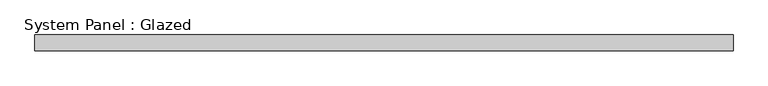
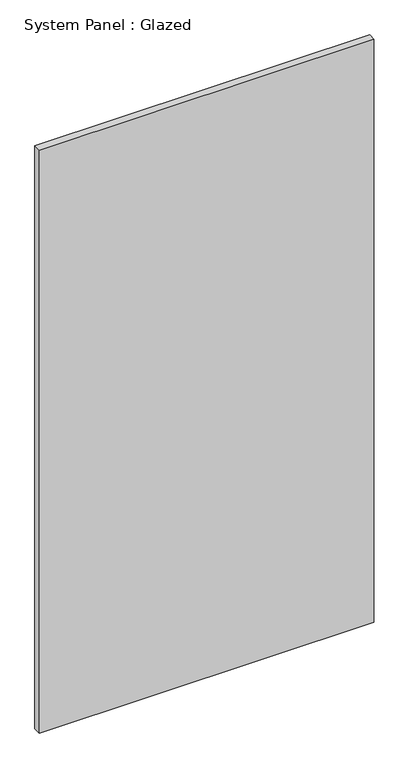
"""IFC4 building model written with IfcOpenShell, lengths in millimetres: plate geometry, System Panel : Glazed."""

import ifcopenshell
import ifcopenshell.guid

model = None  # the IFC model being written
_history = None  # IfcOwnerHistory: only IFC2X3 demands one
_inside = {}  # id of a spatial element -> (the spatial element, [elements in it])
_under = {}  # id of a project, library or spatial element -> (it, [spatial elements below it])
_declared = {}  # id of a project -> (the project, [libraries it declares])
_typed = {}  # id of a type object -> (the type object, [elements of that type])
_made_of = {}  # id of a material, layer set ... -> (it, [elements and type objects made of it])


def new_model(schema):
    """Start an empty IFC model of exactly this schema.

    Asked for "IFC4X3", IfcOpenShell would pick the latest addendum, in which some entities
    have other attributes; the version numbers below select the first issue.
    IFC2X3 requires an IfcOwnerHistory on every rooted entity: one is made here for all.
    """
    global model, _history
    if schema == "IFC4X3":
        model = ifcopenshell.file(schema_version=(4, 3, 0, 0))
    else:
        model = ifcopenshell.file(schema=schema)
    _inside.clear()
    _under.clear()
    _declared.clear()
    _typed.clear()
    _made_of.clear()
    _history = None
    if model.schema == "IFC2X3":
        org = make("IfcOrganization", Name="unknown")
        user = make(
            "IfcPersonAndOrganization",
            ThePerson=make("IfcPerson", FamilyName="unknown"),
            TheOrganization=org,
        )
        app = make(
            "IfcApplication",
            ApplicationDeveloper=org,
            Version="unknown",
            ApplicationFullName="unknown",
            ApplicationIdentifier="unknown",
        )
        _history = make(
            "IfcOwnerHistory",
            OwningUser=user,
            OwningApplication=app,
            ChangeAction="ADDED",
            CreationDate=0,
        )
    return model


def make(cls, **values):
    """One entity of the class cls with the attributes given. An attribute that is None is left unset."""
    return model.create_entity(
        cls, **{name: value for name, value in values.items() if value is not None}
    )


def rooted(cls, **values):
    """An entity with a GlobalId (a new one), such as an element, a storey or a relation."""
    return make(cls, GlobalId=ifcopenshell.guid.new(), OwnerHistory=_history, **values)


def si_unit(unit_type, name, prefix=None):
    """IfcSIUnit, for example si_unit("LENGTHUNIT", "METRE", prefix="MILLI")."""
    return make("IfcSIUnit", UnitType=unit_type, Prefix=prefix, Name=name)


def assignment(units):
    """IfcUnitAssignment: the units of a project."""
    return None if units is None else make("IfcUnitAssignment", Units=units)


def point(xyz):
    """IfcCartesianPoint."""
    return None if xyz is None else make("IfcCartesianPoint", Coordinates=xyz)


def direction(xyz):
    """IfcDirection."""
    return None if xyz is None else make("IfcDirection", DirectionRatios=xyz)


def frame(location, z_axis=None, x_axis=None):
    """IfcAxis2Placement3D, a coordinate frame: its origin and axes. An axis left out is left unset."""
    return make(
        "IfcAxis2Placement3D",
        Location=point(location),
        Axis=direction(z_axis),
        RefDirection=direction(x_axis),
    )


def origin():
    """The frame at (0, 0, 0) with its axes left unset."""
    return frame((0.0, 0.0, 0.0))


def origin_with_axes():
    """The frame at (0, 0, 0) with the z axis (0, 0, 1) and the x axis (1, 0, 0) written out."""
    return frame((0.0, 0.0, 0.0), z_axis=(0.0, 0.0, 1.0), x_axis=(1.0, 0.0, 0.0))


def place(relative_to, where):
    """IfcLocalPlacement: puts the frame where relative to a parent placement (None: the world)."""
    return make(
        "IfcLocalPlacement", PlacementRelTo=relative_to, RelativePlacement=where
    )


def context(
    kind, dimensions, precision=None, world=None, true_north=None, identifier=None
):
    """IfcGeometricRepresentationContext, for example the 3D "Model" context."""
    return make(
        "IfcGeometricRepresentationContext",
        ContextIdentifier=identifier,
        ContextType=kind,
        CoordinateSpaceDimension=dimensions,
        Precision=precision,
        WorldCoordinateSystem=world,
        TrueNorth=true_north,
    )


def project(units=None, contexts=None):
    """IfcProject with its units and contexts."""
    return rooted(
        "IfcProject",
        Name="project",
        RepresentationContexts=contexts,
        UnitsInContext=assignment(units),
    )


def spatial(cls, under=None, at=None, **own):
    """A site, building, storey or space (cls), placed at a placement, below another one or the project."""
    s = rooted(cls, ObjectPlacement=at, **own)
    if under is not None:
        _under.setdefault(under.id(), (under, []))[1].append(s)
    return s


def polyline(points):
    """IfcPolyline through the points."""
    return make("IfcPolyline", Points=[point(p) for p in points])


def outline(outer, holes=None, kind="AREA"):
    """IfcArbitraryClosedProfileDef: a profile drawn as a closed curve; with holes, ...WithVoids."""
    if holes is None:
        return make("IfcArbitraryClosedProfileDef", ProfileType=kind, OuterCurve=outer)
    return make(
        "IfcArbitraryProfileDefWithVoids",
        ProfileType=kind,
        OuterCurve=outer,
        InnerCurves=holes,
    )


def extrude(swept, where, along, depth):
    """IfcExtrudedAreaSolid: the profile swept, set in the frame where, extruded along a direction by depth."""
    return make(
        "IfcExtrudedAreaSolid",
        SweptArea=swept,
        Position=where,
        ExtrudedDirection=direction(along),
        Depth=depth,
    )


def shape(context_of_items, identifier, shape_type, items):
    """IfcShapeRepresentation: the items that make up one representation, for example the "Body"."""
    return make(
        "IfcShapeRepresentation",
        ContextOfItems=context_of_items,
        RepresentationIdentifier=identifier,
        RepresentationType=shape_type,
        Items=items,
    )


def source(mapping_origin, context_of_items, identifier, shape_type, items):
    """IfcRepresentationMap: a shape defined once, which mapped items show again and again."""
    return make(
        "IfcRepresentationMap",
        MappingOrigin=mapping_origin,
        MappedRepresentation=shape(context_of_items, identifier, shape_type, items),
    )


def transform(
    local_origin,
    x_axis=None,
    y_axis=None,
    z_axis=None,
    scale=None,
    scale2=None,
    scale3=None,
    uniform=True,
):
    """IfcCartesianTransformationOperator3D, or its non-uniform kind. x_axis, y_axis, z_axis: its Axis1, 2, 3."""
    if uniform:
        return make(
            "IfcCartesianTransformationOperator3D",
            Axis1=direction(x_axis),
            Axis2=direction(y_axis),
            LocalOrigin=point(local_origin),
            Scale=scale,
            Axis3=direction(z_axis),
        )
    return make(
        "IfcCartesianTransformationOperator3DnonUniform",
        Axis1=direction(x_axis),
        Axis2=direction(y_axis),
        LocalOrigin=point(local_origin),
        Scale=scale,
        Axis3=direction(z_axis),
        Scale2=scale2,
        Scale3=scale3,
    )


def mapped(mapping_source, mapping_target):
    """IfcMappedItem: shows the shape of a source again, moved by a transform."""
    return make(
        "IfcMappedItem", MappingSource=mapping_source, MappingTarget=mapping_target
    )


def made_of(thing, what):
    """Note that an element or type object is made of a material, layer set ...; save() writes the relation."""
    if what is not None:
        _made_of.setdefault(what.id(), (what, []))[1].append(thing)
    return thing


def element(
    cls,
    number,
    at=None,
    inside=None,
    cuts=None,
    type_object=None,
    material=None,
    context=None,
    identifier="Body",
    shape_type=None,
    held_by="IfcProductDefinitionShape",
    body=None,
    shapes=None,
    **own,
):
    """One element of the class cls, such as IfcWall. Its Tag is "e" and its number.

    at: its placement. inside: the storey or other place that contains it. cuts: it is an
    opening in that element (IfcRelVoidsElement). A single representation is given by context,
    identifier, shape_type and body (its items); several are given by shapes. held_by: the class
    of the entity that holds the representations. save() writes the other relations.
    """
    e = rooted(cls, Tag="e%d" % number, ObjectPlacement=at, **own)
    if body is not None:
        shapes = [shape(context, identifier, shape_type, body)]
    if shapes is not None:
        e.Representation = make(held_by, Representations=shapes)
    if inside is not None:
        _inside.setdefault(inside.id(), (inside, []))[1].append(e)
    if cuts is not None:
        rooted(
            "IfcRelVoidsElement", RelatingBuildingElement=cuts, RelatedOpeningElement=e
        )
    if type_object is not None:
        _typed.setdefault(type_object.id(), (type_object, []))[1].append(e)
    return made_of(e, material)


def aggregate(whole, parts):
    """IfcRelAggregates: a whole, such as a stair, and the parts it consists of."""
    return rooted("IfcRelAggregates", RelatingObject=whole, RelatedObjects=parts)


def save(model, path):
    """Write the relations noted so far, then the file.

    IfcRelAggregates (storeys below a building ...), IfcRelContainedInSpatialStructure (elements
    in a storey), IfcRelDefinesByType, IfcRelAssociatesMaterial and IfcRelDeclares: one each for
    every whole, place, type object, material and project.
    """
    for whole, parts in _under.values():
        aggregate(whole, parts)
    for where, things in _inside.values():
        rooted(
            "IfcRelContainedInSpatialStructure",
            RelatedElements=things,
            RelatingStructure=where,
        )
    for kind, things in _typed.values():
        rooted("IfcRelDefinesByType", RelatedObjects=things, RelatingType=kind)
    for what, things in _made_of.values():
        rooted("IfcRelAssociatesMaterial", RelatedObjects=things, RelatingMaterial=what)
    for by, libraries in _declared.values():
        rooted("IfcRelDeclares", RelatingContext=by, RelatedDefinitions=libraries)
    model.write(path)


def system_panel_glazed_3d49f052(model_context):
    return source(origin(), model_context, "Body", "SweptSolid", [
        extrude(outline(polyline([(561.975, 19.05), (-561.975, 19.05), (-561.975, 44.45), (561.975, 44.45), (561.975, 19.05)])), origin_with_axes(), (0.0, 0.0, 1.0), 2070.1),
    ])


if __name__ == "__main__":
    model = new_model("IFC4")
    model_context = context("Model", 3, world=origin())
    ifc_project = project(units=[si_unit("LENGTHUNIT", "METRE", prefix="MILLI")], contexts=[model_context])
    site = spatial("IfcSite", under=ifc_project)
    building = spatial("IfcBuilding", under=site)
    placement = place(None, origin())
    system_panel_glazed_shape = system_panel_glazed_3d49f052(model_context)
    element("IfcPlate", 1, ObjectType="System Panel : Glazed", at=placement, inside=building, context=model_context, shape_type="MappedRepresentation", body=[
        mapped(system_panel_glazed_shape, transform((0.0, 0.0, 0.0), x_axis=(1.0, 0.0, 0.0), y_axis=(0.0, 1.0, 0.0), z_axis=(0.0, 0.0, 1.0))),
    ])
    save(model, "model.ifc")
